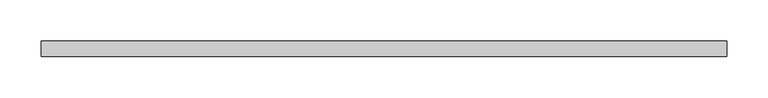
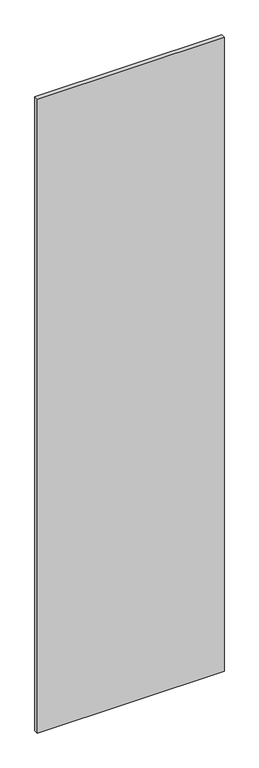
"""IFC4 building model written with IfcOpenShell, lengths in millimetres: proxy geometry."""

import ifcopenshell
import ifcopenshell.guid

model = None  # the IFC model being written
_history = None  # IfcOwnerHistory: only IFC2X3 demands one
_inside = {}  # id of a spatial element -> (the spatial element, [elements in it])
_under = {}  # id of a project, library or spatial element -> (it, [spatial elements below it])
_declared = {}  # id of a project -> (the project, [libraries it declares])
_typed = {}  # id of a type object -> (the type object, [elements of that type])
_made_of = {}  # id of a material, layer set ... -> (it, [elements and type objects made of it])


def new_model(schema):
    """Start an empty IFC model of exactly this schema.

    Asked for "IFC4X3", IfcOpenShell would pick the latest addendum, in which some entities
    have other attributes; the version numbers below select the first issue.
    IFC2X3 requires an IfcOwnerHistory on every rooted entity: one is made here for all.
    """
    global model, _history
    if schema == "IFC4X3":
        model = ifcopenshell.file(schema_version=(4, 3, 0, 0))
    else:
        model = ifcopenshell.file(schema=schema)
    _inside.clear()
    _under.clear()
    _declared.clear()
    _typed.clear()
    _made_of.clear()
    _history = None
    if model.schema == "IFC2X3":
        org = make("IfcOrganization", Name="unknown")
        user = make(
            "IfcPersonAndOrganization",
            ThePerson=make("IfcPerson", FamilyName="unknown"),
            TheOrganization=org,
        )
        app = make(
            "IfcApplication",
            ApplicationDeveloper=org,
            Version="unknown",
            ApplicationFullName="unknown",
            ApplicationIdentifier="unknown",
        )
        _history = make(
            "IfcOwnerHistory",
            OwningUser=user,
            OwningApplication=app,
            ChangeAction="ADDED",
            CreationDate=0,
        )
    return model


def make(cls, **values):
    """One entity of the class cls with the attributes given. An attribute that is None is left unset."""
    return model.create_entity(
        cls, **{name: value for name, value in values.items() if value is not None}
    )


def rooted(cls, **values):
    """An entity with a GlobalId (a new one), such as an element, a storey or a relation."""
    return make(cls, GlobalId=ifcopenshell.guid.new(), OwnerHistory=_history, **values)


def si_unit(unit_type, name, prefix=None):
    """IfcSIUnit, for example si_unit("LENGTHUNIT", "METRE", prefix="MILLI")."""
    return make("IfcSIUnit", UnitType=unit_type, Prefix=prefix, Name=name)


def assignment(units):
    """IfcUnitAssignment: the units of a project."""
    return None if units is None else make("IfcUnitAssignment", Units=units)


def point(xyz):
    """IfcCartesianPoint."""
    return None if xyz is None else make("IfcCartesianPoint", Coordinates=xyz)


def direction(xyz):
    """IfcDirection."""
    return None if xyz is None else make("IfcDirection", DirectionRatios=xyz)


def frame(location, z_axis=None, x_axis=None):
    """IfcAxis2Placement3D, a coordinate frame: its origin and axes. An axis left out is left unset."""
    return make(
        "IfcAxis2Placement3D",
        Location=point(location),
        Axis=direction(z_axis),
        RefDirection=direction(x_axis),
    )


def origin():
    """The frame at (0, 0, 0) with its axes left unset."""
    return frame((0.0, 0.0, 0.0))


def place(relative_to, where):
    """IfcLocalPlacement: puts the frame where relative to a parent placement (None: the world)."""
    return make(
        "IfcLocalPlacement", PlacementRelTo=relative_to, RelativePlacement=where
    )


def context(
    kind, dimensions, precision=None, world=None, true_north=None, identifier=None
):
    """IfcGeometricRepresentationContext, for example the 3D "Model" context."""
    return make(
        "IfcGeometricRepresentationContext",
        ContextIdentifier=identifier,
        ContextType=kind,
        CoordinateSpaceDimension=dimensions,
        Precision=precision,
        WorldCoordinateSystem=world,
        TrueNorth=true_north,
    )


def project(units=None, contexts=None):
    """IfcProject with its units and contexts."""
    return rooted(
        "IfcProject",
        Name="project",
        RepresentationContexts=contexts,
        UnitsInContext=assignment(units),
    )


def spatial(cls, under=None, at=None, **own):
    """A site, building, storey or space (cls), placed at a placement, below another one or the project."""
    s = rooted(cls, ObjectPlacement=at, **own)
    if under is not None:
        _under.setdefault(under.id(), (under, []))[1].append(s)
    return s


def polyline(points):
    """IfcPolyline through the points."""
    return make("IfcPolyline", Points=[point(p) for p in points])


def outline(outer, holes=None, kind="AREA"):
    """IfcArbitraryClosedProfileDef: a profile drawn as a closed curve; with holes, ...WithVoids."""
    if holes is None:
        return make("IfcArbitraryClosedProfileDef", ProfileType=kind, OuterCurve=outer)
    return make(
        "IfcArbitraryProfileDefWithVoids",
        ProfileType=kind,
        OuterCurve=outer,
        InnerCurves=holes,
    )


def extrude(swept, where, along, depth):
    """IfcExtrudedAreaSolid: the profile swept, set in the frame where, extruded along a direction by depth."""
    return make(
        "IfcExtrudedAreaSolid",
        SweptArea=swept,
        Position=where,
        ExtrudedDirection=direction(along),
        Depth=depth,
    )


def shape(context_of_items, identifier, shape_type, items):
    """IfcShapeRepresentation: the items that make up one representation, for example the "Body"."""
    return make(
        "IfcShapeRepresentation",
        ContextOfItems=context_of_items,
        RepresentationIdentifier=identifier,
        RepresentationType=shape_type,
        Items=items,
    )


def source(mapping_origin, context_of_items, identifier, shape_type, items):
    """IfcRepresentationMap: a shape defined once, which mapped items show again and again."""
    return make(
        "IfcRepresentationMap",
        MappingOrigin=mapping_origin,
        MappedRepresentation=shape(context_of_items, identifier, shape_type, items),
    )


def transform(
    local_origin,
    x_axis=None,
    y_axis=None,
    z_axis=None,
    scale=None,
    scale2=None,
    scale3=None,
    uniform=True,
):
    """IfcCartesianTransformationOperator3D, or its non-uniform kind. x_axis, y_axis, z_axis: its Axis1, 2, 3."""
    if uniform:
        return make(
            "IfcCartesianTransformationOperator3D",
            Axis1=direction(x_axis),
            Axis2=direction(y_axis),
            LocalOrigin=point(local_origin),
            Scale=scale,
            Axis3=direction(z_axis),
        )
    return make(
        "IfcCartesianTransformationOperator3DnonUniform",
        Axis1=direction(x_axis),
        Axis2=direction(y_axis),
        LocalOrigin=point(local_origin),
        Scale=scale,
        Axis3=direction(z_axis),
        Scale2=scale2,
        Scale3=scale3,
    )


def mapped(mapping_source, mapping_target):
    """IfcMappedItem: shows the shape of a source again, moved by a transform."""
    return make(
        "IfcMappedItem", MappingSource=mapping_source, MappingTarget=mapping_target
    )


def made_of(thing, what):
    """Note that an element or type object is made of a material, layer set ...; save() writes the relation."""
    if what is not None:
        _made_of.setdefault(what.id(), (what, []))[1].append(thing)
    return thing


def element(
    cls,
    number,
    at=None,
    inside=None,
    cuts=None,
    type_object=None,
    material=None,
    context=None,
    identifier="Body",
    shape_type=None,
    held_by="IfcProductDefinitionShape",
    body=None,
    shapes=None,
    **own,
):
    """One element of the class cls, such as IfcWall. Its Tag is "e" and its number.

    at: its placement. inside: the storey or other place that contains it. cuts: it is an
    opening in that element (IfcRelVoidsElement). A single representation is given by context,
    identifier, shape_type and body (its items); several are given by shapes. held_by: the class
    of the entity that holds the representations. save() writes the other relations.
    """
    e = rooted(cls, Tag="e%d" % number, ObjectPlacement=at, **own)
    if body is not None:
        shapes = [shape(context, identifier, shape_type, body)]
    if shapes is not None:
        e.Representation = make(held_by, Representations=shapes)
    if inside is not None:
        _inside.setdefault(inside.id(), (inside, []))[1].append(e)
    if cuts is not None:
        rooted(
            "IfcRelVoidsElement", RelatingBuildingElement=cuts, RelatedOpeningElement=e
        )
    if type_object is not None:
        _typed.setdefault(type_object.id(), (type_object, []))[1].append(e)
    return made_of(e, material)


def aggregate(whole, parts):
    """IfcRelAggregates: a whole, such as a stair, and the parts it consists of."""
    return rooted("IfcRelAggregates", RelatingObject=whole, RelatedObjects=parts)


def save(model, path):
    """Write the relations noted so far, then the file.

    IfcRelAggregates (storeys below a building ...), IfcRelContainedInSpatialStructure (elements
    in a storey), IfcRelDefinesByType, IfcRelAssociatesMaterial and IfcRelDeclares: one each for
    every whole, place, type object, material and project.
    """
    for whole, parts in _under.values():
        aggregate(whole, parts)
    for where, things in _inside.values():
        rooted(
            "IfcRelContainedInSpatialStructure",
            RelatedElements=things,
            RelatingStructure=where,
        )
    for kind, things in _typed.values():
        rooted("IfcRelDefinesByType", RelatedObjects=things, RelatingType=kind)
    for what, things in _made_of.values():
        rooted("IfcRelAssociatesMaterial", RelatedObjects=things, RelatingMaterial=what)
    for by, libraries in _declared.values():
        rooted("IfcRelDeclares", RelatingContext=by, RelatedDefinitions=libraries)
    model.write(path)


def specialty_equipment_fe7f2e9b(model_context):
    return source(origin(), model_context, "Body", "SweptSolid", [
        extrude(outline(polyline([(417.2204, 9.525), (417.2204, -9.525), (-417.2204, -9.525), (-417.2204, 9.525), (417.2204, 9.525)])), frame((0.0, 0.0, 3.175), z_axis=(0.0, 0.0, 1.0), x_axis=(1.0, 0.0, 0.0)), (0.0, 0.0, 1.0), 2996.3618001),
    ])


if __name__ == "__main__":
    model = new_model("IFC4")
    model_context = context("Model", 3, world=origin())
    ifc_project = project(units=[si_unit("LENGTHUNIT", "METRE", prefix="MILLI")], contexts=[model_context])
    site = spatial("IfcSite", under=ifc_project)
    building = spatial("IfcBuilding", under=site)
    placement = place(None, origin())
    specialty_equipment_shape = specialty_equipment_fe7f2e9b(model_context)
    element("IfcBuildingElementProxy", 1, Name="Specialty Equipment", at=placement, inside=building, context=model_context, shape_type="MappedRepresentation", body=[
        mapped(specialty_equipment_shape, transform((0.0, 0.0, 0.0), x_axis=(1.0, 0.0, 0.0), y_axis=(0.0, 1.0, 0.0), z_axis=(0.0, 0.0, 1.0))),
    ])
    save(model, "model.ifc")
